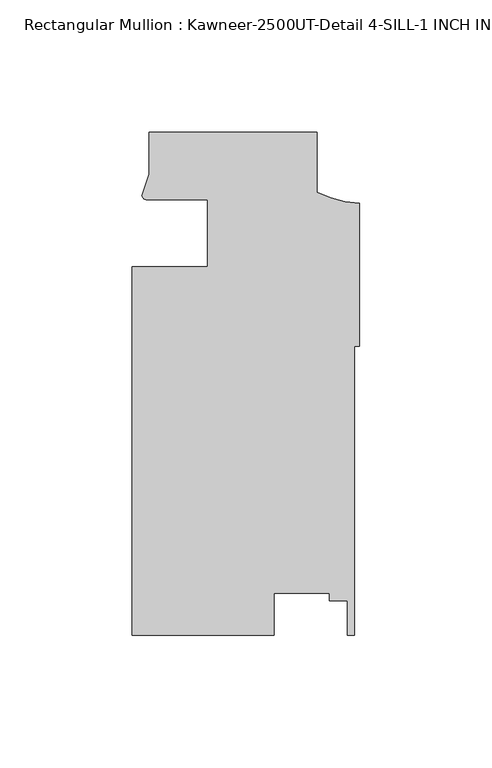
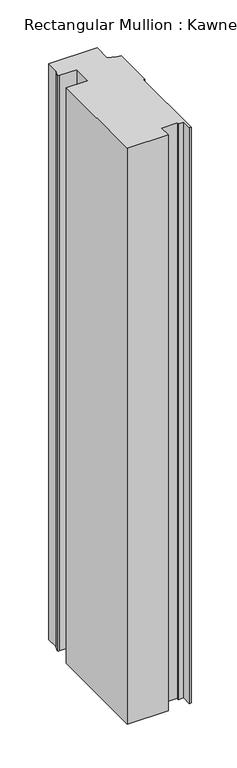
"""IFC4 building model written with IfcOpenShell, lengths in millimetres: member geometry, Rectangular Mullion : Kawneer-2500UT-Detail 4-SILL-1 INCH INFILL."""

from ifc_helpers import new_model, si_unit, point, frame, frame_2d, origin, place, context, project, spatial, polyline, circle_curve, trimmed, segment, composite_curve, outline, extrude, source, transform, mapped, element, save


def rectangular_mullion_kawneer_2500ut_detail_4_sill_1_inch_6ea4e652(model_context):
    return source(origin(), model_context, "Body", "SweptSolid", [
        extrude(outline(composite_curve([segment(polyline([(-85.8686733, -25.4669077), (-57.2936733, -25.4663259), (-57.2936733, -0.3840879)]), True, "CONTINUOUS"), segment(trimmed(circle_curve(frame_2d((-75.2179215, -461.0742748)), 461.0387479), [point((-57.2936733, -0.3840879))], [point((-80.5528021, -0.0663941))], True, "CARTESIAN"), True, "CONTINUOUS"), segment(trimmed(circle_curve(frame_2d((-80.4699106, 1.6349568)), 1.703369), [point((-80.5528021, -0.0663941))], [point((-82.1695285, 1.5219741))], False, "CARTESIAN"), True, "CONTINUOUS"), segment(polyline([(-82.1695285, 1.5219741), (-79.5186733, 9.4586425), (-79.5186733, 25.3335448), (-16.0186733, 25.3335448), (-16.0186733, 2.7958317)]), True, "CONTINUOUS"), segment(trimmed(circle_curve(frame_2d((1.9299154, 37.9143473)), 39.4393455), [point((-16.0186733, 2.7958317))], [point((0.0, -1.4777509))], True, "CARTESIAN"), True, "CONTINUOUS"), segment(polyline([(0.0, -1.4777509), (0.0, -55.5105127), (-1.8773984, -55.5105127), (-1.8773984, -164.6584552), (-4.4489746, -164.6584552), (-4.4489746, -151.614656), (-11.3069744, -151.614656), (-11.3069744, -148.7600507), (-32.2536236, -148.7600507), (-32.2536236, -164.6584552), (-85.8686733, -164.6584552), (-85.8686733, -25.4669077)]), True, "CONTINUOUS")], self_intersect=False)), frame((0.0, 0.0, -799.8831251), z_axis=(0.0, 0.0, 1.0), x_axis=(1.0, 0.0, 0.0)), (0.0, 0.0, 1.0), 799.8831251),
    ])


if __name__ == "__main__":
    model = new_model("IFC4")
    model_context = context("Model", 3, world=origin())
    ifc_project = project(units=[si_unit("LENGTHUNIT", "METRE", prefix="MILLI")], contexts=[model_context])
    site = spatial("IfcSite", under=ifc_project)
    building = spatial("IfcBuilding", under=site)
    placement = place(None, origin())
    rectangular_mullion_kawneer_2500ut_detail_4_sill_1_inch_shape = rectangular_mullion_kawneer_2500ut_detail_4_sill_1_inch_6ea4e652(model_context)
    element("IfcMember", 1, ObjectType="Rectangular Mullion : Kawneer-2500UT-Detail 4-SILL-1 INCH INFILL", at=placement, inside=building, context=model_context, shape_type="MappedRepresentation", body=[
        mapped(rectangular_mullion_kawneer_2500ut_detail_4_sill_1_inch_shape, transform((0.0, 0.0, 0.0), x_axis=(1.0, 0.0, 0.0), y_axis=(0.0, 1.0, 0.0), z_axis=(0.0, 0.0, 1.0))),
    ])
    save(model, "model.ifc")
